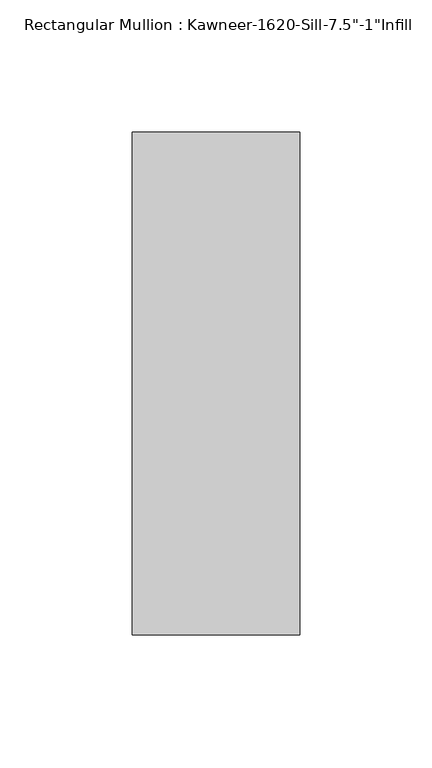
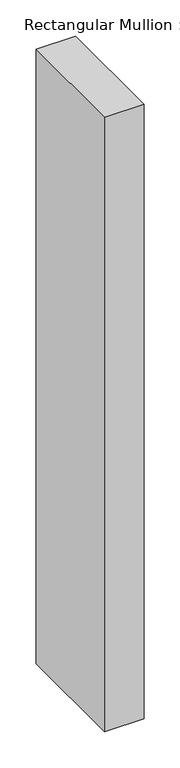
"""IFC4 building model written with IfcOpenShell, lengths in millimetres: member geometry."""

from ifc_helpers import new_model, si_unit, frame, origin, place, context, project, spatial, polyline, outline, extrude, source, transform, mapped, element, save


def member_ae34d2e5(model_context):
    return source(origin(), model_context, "Body", "SweptSolid", [
        extrude(outline(polyline([(-63.5, 38.1), (0.0, 38.1), (0.0, -152.4), (-63.5, -152.4), (-63.5, 38.1)])), frame((0.0, 0.0, -1041.0761475), z_axis=(0.0, 0.0, 1.0), x_axis=(1.0, 0.0, 0.0)), (0.0, 0.0, 1.0), 1041.0761475),
    ])


if __name__ == "__main__":
    model = new_model("IFC4")
    model_context = context("Model", 3, world=origin())
    ifc_project = project(units=[si_unit("LENGTHUNIT", "METRE", prefix="MILLI")], contexts=[model_context])
    site = spatial("IfcSite", under=ifc_project)
    building = spatial("IfcBuilding", under=site)
    placement = place(None, origin())
    member_shape = member_ae34d2e5(model_context)
    element("IfcMember", 1, ObjectType="Rectangular Mullion : Kawneer-1620-Sill-7.5\"-1\"Infill", at=placement, inside=building, context=model_context, shape_type="MappedRepresentation", body=[
        mapped(member_shape, transform((0.0, 0.0, 0.0), x_axis=(1.0, 0.0, 0.0), y_axis=(0.0, 1.0, 0.0), z_axis=(0.0, 0.0, 1.0))),
    ])
    save(model, "model.ifc")
